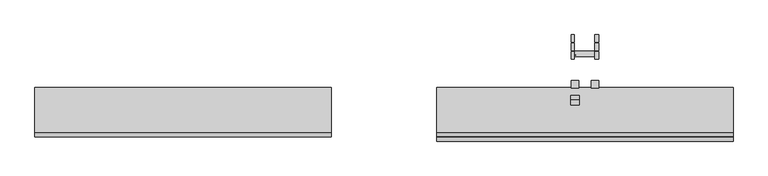
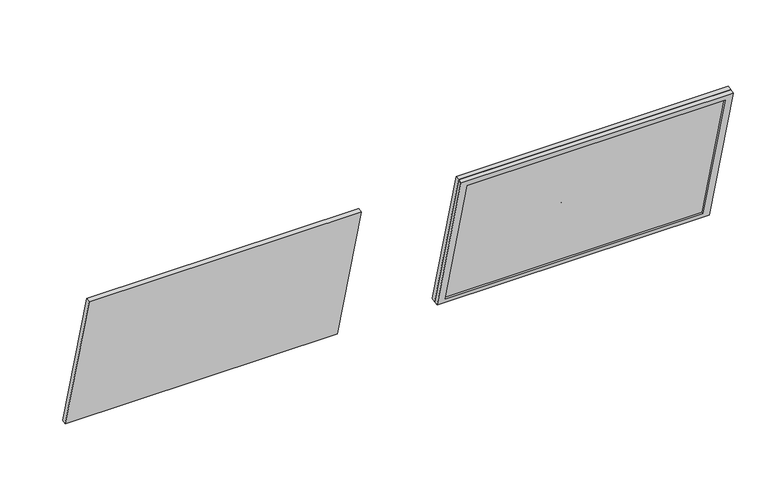
"""IFC4 building model written with IfcOpenShell, lengths in millimetres: proxy geometry."""

from ifc_helpers import new_model, si_unit, frame, origin, place, context, project, spatial, polyline, circle_curve, outline, extrude, faceted_brep, source, transform, mapped, element, save
from ifc_brep_helpers import plane_surface, cylinder_surface, advanced_brep


def specialty_equipment_2edef464(model_context):
    return source(origin(), model_context, "Body", "SolidModel", [
        extrude(outline(polyline([(1006.4454383, 2515.4623011), (1104.8223059, 2148.3162427), (1094.9080284, 2145.6597688), (996.5309506, 2512.8066114), (1006.4454383, 2515.4623011)])), frame((-1219.64913, 0.0, 0.0), z_axis=(1.0, 0.0, 0.0), x_axis=(0.0, 1.0, 0.0)), (0.0, 0.0, 1.0), 648.5001089),
        extrude(outline(polyline([(1006.4611969, 2515.4656458), (1104.8069859, 2148.3112614), (1094.9082474, 2145.6589512), (996.5311697, 2512.8057937), (1006.4611969, 2515.4656458)])), frame((-339.1200057, 0.0, 0.0), z_axis=(1.0, 0.0, 0.0), x_axis=(0.0, 1.0, 0.0)), (0.0, 0.0, 1.0), 648.5001089),
        advanced_brep(
        [(-38.7084796, 1183.4570308, 2243.6951894), (-38.7084796, 1167.4570307, 2243.6951894), (-45.0219556, 1183.4570308, 2243.6951894), (-45.0219556, 1167.4570307, 2243.6951894), (-45.0219556, 1176.3620855, 2246.5556997), (-45.0219556, 1173.565847, 2245.8384946), (-45.0219556, 1172.788846, 2243.0582803), (-45.0219556, 1174.8080847, 2240.9952677), (-45.0219556, 1177.347576, 2241.6466201), (-45.0219556, 1178.2366058, 2244.6405428), (-42.9467709, 1176.3620855, 2246.5556997), (-42.9467709, 1178.2366058, 2244.6405428), (-42.9467709, 1177.347576, 2241.6466201), (-42.9467709, 1174.8080847, 2240.9952677), (-42.9467709, 1172.788846, 2243.0582803), (-42.9467709, 1173.565847, 2245.8384946)],
        [
            (0, 1, circle_curve(frame((-38.7084796, 1175.4570308, 2243.6951894), z_axis=(1.0, 0.0, 0.0), x_axis=(0.0, -1.0, 0.0)), 8.0)),
            (1, 0, circle_curve(frame((-38.7084796, 1175.4570308, 2243.6951894), z_axis=(1.0, 0.0, 0.0), x_axis=(0.0, -1.0, 0.0)), 8.0)),
            (2, 3, circle_curve(frame((-45.0219556, 1175.4570308, 2243.6951894), z_axis=(-1.0, 0.0, 0.0), x_axis=(0.0, -1.0, 0.0)), 8.0)),
            (3, 2, circle_curve(frame((-45.0219556, 1175.4570308, 2243.6951894), z_axis=(-1.0, 0.0, 0.0), x_axis=(0.0, -1.0, 0.0)), 8.0)),
            (4, 5),
            (5, 6),
            (6, 7),
            (7, 8),
            (8, 9),
            (9, 4),
            (0, 2),
            (3, 1),
            (10, 11),
            (11, 12),
            (12, 13),
            (13, 14),
            (14, 15),
            (15, 10),
            (15, 5),
            (4, 10),
            (14, 6),
            (13, 7),
            (12, 8),
            (11, 9),
        ],
        [
            plane_surface(frame((-38.7084796, 1167.4570307, 2243.6951894), z_axis=(1.0, 0.0, 0.0), x_axis=(0.0, 0.0, -1.0))),
            plane_surface(frame((-45.0219556, 1167.4570307, 2243.6951894), z_axis=(-1.0, 0.0, 0.0), x_axis=(0.0, 0.0, 1.0))),
            cylinder_surface(frame((-45.0219556, 1175.4570308, 2243.6951894), z_axis=(1.0, 0.0, 0.0), x_axis=(0.0, -1.0, 0.0)), 8.0),
            plane_surface(frame((-42.9467709, 1176.3620855, 2246.5556997), z_axis=(-1.0, 0.0, 0.0), x_axis=(0.0, -0.9686454569454113, -0.24844713469673074))),
            plane_surface(frame((-42.9467709, 1176.3620855, 2246.5556997), z_axis=(0.0, 0.24844713469673074, -0.9686454569454113), x_axis=(-1.0, 0.0, 0.0))),
            plane_surface(frame((-42.9467709, 1173.565847, 2245.8384946), z_axis=(0.0, 0.9630951403235781, -0.26916119832752156), x_axis=(-1.0, 0.0, 0.0))),
            plane_surface(frame((-42.9467709, 1172.788846, 2243.0582803), z_axis=(0.0, 0.7146480056273415, 0.6994842586169208), x_axis=(-1.0, 0.0, 0.0))),
            plane_surface(frame((-42.9467709, 1174.8080847, 2240.9952677), z_axis=(0.0, -0.2484471903475855, 0.9686454426715643), x_axis=(-1.0, 0.0, 0.0))),
            plane_surface(frame((-42.9467709, 1177.347576, 2241.6466201), z_axis=(0.0, -0.9586286083068241, 0.2846597817320209), x_axis=(-1.0, 0.0, 0.0))),
            plane_surface(frame((-42.9467709, 1178.2366058, 2244.6405428), z_axis=(0.0, -0.7146480056274322, -0.6994842586168281), x_axis=(-1.0, 0.0, 0.0))),
        ],
        [
            (0, [[1, 2]]),
            (1, [[3, 4], [5, 6, 7, 8, 9, 10]]),
            (2, [[-1, 11, -4, 12]]),
            (2, [[-2, -12, -3, -11]]),
            (3, [[13, 14, 15, 16, 17, 18]]),
            (4, [[-18, 19, -5, 20]]),
            (5, [[-17, 21, -6, -19]]),
            (6, [[-16, 22, -7, -21]]),
            (7, [[-15, 23, -8, -22]]),
            (8, [[-14, 24, -9, -23]]),
            (9, [[-13, -20, -10, -24]]),
        ],
    ),
        advanced_brep(
        [(-38.7084796, 1201.9243828, 2243.5781776), (-38.7084796, 1185.9243828, 2243.5781776), (-45.0219556, 1201.9243828, 2243.5781776), (-45.0219556, 1185.9243828, 2243.5781776), (-45.0219556, 1194.7949847, 2246.5556997), (-45.0219556, 1191.9987461, 2245.8384946), (-45.0219556, 1191.2217452, 2243.0582803), (-45.0219556, 1193.2409838, 2240.9952677), (-45.0219556, 1195.9846469, 2241.6989879), (-45.0219556, 1196.8142218, 2244.4926887), (-42.9467709, 1194.7949847, 2246.5556997), (-42.9467709, 1196.8142218, 2244.4926887), (-42.9467709, 1195.9846469, 2241.6989879), (-42.9467709, 1193.2409838, 2240.9952677), (-42.9467709, 1191.2217452, 2243.0582803), (-42.9467709, 1191.9987461, 2245.8384946)],
        [
            (0, 1, circle_curve(frame((-38.7084796, 1193.9243828, 2243.5781776), z_axis=(1.0, 0.0, 0.0), x_axis=(0.0, -1.0, 0.0)), 8.0)),
            (1, 0, circle_curve(frame((-38.7084796, 1193.9243828, 2243.5781776), z_axis=(1.0, 0.0, 0.0), x_axis=(0.0, -1.0, 0.0)), 8.0)),
            (2, 3, circle_curve(frame((-45.0219556, 1193.9243828, 2243.5781776), z_axis=(-1.0, 0.0, 0.0), x_axis=(0.0, -1.0, 0.0)), 8.0)),
            (3, 2, circle_curve(frame((-45.0219556, 1193.9243828, 2243.5781776), z_axis=(-1.0, 0.0, 0.0), x_axis=(0.0, -1.0, 0.0)), 8.0)),
            (4, 5),
            (5, 6),
            (6, 7),
            (7, 8),
            (8, 9),
            (9, 4),
            (0, 2),
            (3, 1),
            (10, 11),
            (11, 12),
            (12, 13),
            (13, 14),
            (14, 15),
            (15, 10),
            (15, 5),
            (4, 10),
            (14, 6),
            (13, 7),
            (12, 8),
            (11, 9),
        ],
        [
            plane_surface(frame((-38.7084796, 1167.4570307, 2243.6951894), z_axis=(1.0, 0.0, 0.0), x_axis=(0.0, 0.0, -1.0))),
            plane_surface(frame((-45.0219556, 1167.4570307, 2243.6951894), z_axis=(-1.0, 0.0, 0.0), x_axis=(0.0, 0.0, 1.0))),
            cylinder_surface(frame((-2109.4692543, 1193.9243828, 2243.5781776), z_axis=(1.0, 0.0, 0.0), x_axis=(0.0, -1.0, 0.0)), 8.0),
            plane_surface(frame((-42.9467709, 1176.3620855, 2246.5556997), z_axis=(-1.0, 0.0, 0.0), x_axis=(0.0, -0.9686454569454113, -0.24844713469673074))),
            plane_surface(frame((-42.9467709, 1194.7949847, 2246.5556997), z_axis=(0.0, 0.24844713469673074, -0.9686454569454113), x_axis=(-1.0, 0.0, 0.0))),
            plane_surface(frame((-42.9467709, 1191.9987461, 2245.8384946), z_axis=(0.0, 0.9630951403235781, -0.26916119832752156), x_axis=(-1.0, 0.0, 0.0))),
            plane_surface(frame((-42.9467709, 1191.2217452, 2243.0582803), z_axis=(0.0, 0.7146480056273415, 0.6994842586169208), x_axis=(-1.0, 0.0, 0.0))),
            plane_surface(frame((-42.9467709, 1193.2409838, 2240.9952677), z_axis=(0.0, -0.24844719034754661, 0.9686454426715743), x_axis=(-1.0, 0.0, 0.0))),
            plane_surface(frame((-42.9467709, 1195.9846469, 2241.6989879), z_axis=(0.0, -0.9586286083068302, 0.28465978173200046), x_axis=(-1.0, 0.0, 0.0))),
            plane_surface(frame((-42.9467709, 1196.8142218, 2244.4926887), z_axis=(0.0, -0.7146480056274367, -0.6994842586168236), x_axis=(-1.0, 0.0, 0.0))),
        ],
        [
            (0, [[1, 2]]),
            (1, [[3, 4], [5, 6, 7, 8, 9, 10]]),
            (2, [[-1, 11, -4, 12]]),
            (2, [[-2, -12, -3, -11]]),
            (3, [[13, 14, 15, 16, 17, 18]]),
            (4, [[-18, 19, -5, 20]]),
            (5, [[-17, 21, -6, -19]]),
            (6, [[-16, 22, -7, -21]]),
            (7, [[-15, 23, -8, -22]]),
            (8, [[-14, 24, -9, -23]]),
            (9, [[-13, -20, -10, -24]]),
        ],
    ),
        advanced_brep(
        [(-38.7084796, 1220.3917369, 2243.5827149), (-38.7084796, 1204.3917369, 2243.5827149), (-45.0219556, 1220.3917369, 2243.5827149), (-45.0219556, 1204.3917369, 2243.5827149), (-45.0219556, 1213.2637707, 2246.5556997), (-45.0219556, 1210.4675321, 2245.8384946), (-45.0219556, 1209.6905312, 2243.0582803), (-45.0219556, 1211.7097698, 2240.9952677), (-45.0219556, 1214.4534329, 2241.6989879), (-45.0219556, 1215.2830078, 2244.4926887), (-42.9467709, 1213.2637707, 2246.5556997), (-42.9467709, 1215.2830078, 2244.4926887), (-42.9467709, 1214.4534329, 2241.6989879), (-42.9467709, 1211.7097698, 2240.9952677), (-42.9467709, 1209.6905312, 2243.0582803), (-42.9467709, 1210.4675321, 2245.8384946)],
        [
            (0, 1, circle_curve(frame((-38.7084796, 1212.3917369, 2243.5827149), z_axis=(1.0, 0.0, 0.0), x_axis=(0.0, -1.0, 0.0)), 8.0)),
            (1, 0, circle_curve(frame((-38.7084796, 1212.3917369, 2243.5827149), z_axis=(1.0, 0.0, 0.0), x_axis=(0.0, -1.0, 0.0)), 8.0)),
            (2, 3, circle_curve(frame((-45.0219556, 1212.3917369, 2243.5827149), z_axis=(-1.0, 0.0, 0.0), x_axis=(0.0, -1.0, 0.0)), 8.0)),
            (3, 2, circle_curve(frame((-45.0219556, 1212.3917369, 2243.5827149), z_axis=(-1.0, 0.0, 0.0), x_axis=(0.0, -1.0, 0.0)), 8.0)),
            (4, 5),
            (5, 6),
            (6, 7),
            (7, 8),
            (8, 9),
            (9, 4),
            (0, 2),
            (3, 1),
            (10, 11),
            (11, 12),
            (12, 13),
            (13, 14),
            (14, 15),
            (15, 10),
            (15, 5),
            (4, 10),
            (14, 6),
            (13, 7),
            (12, 8),
            (11, 9),
        ],
        [
            plane_surface(frame((-38.7084796, 1167.4570307, 2243.6951894), z_axis=(1.0, 0.0, 0.0), x_axis=(0.0, 0.0, -1.0))),
            plane_surface(frame((-45.0219556, 1167.4570307, 2243.6951894), z_axis=(-1.0, 0.0, 0.0), x_axis=(0.0, 0.0, 1.0))),
            cylinder_surface(frame((-2109.4692543, 1212.3917369, 2243.5827149), z_axis=(1.0, 0.0, 0.0), x_axis=(0.0, -1.0, 0.0)), 8.0),
            plane_surface(frame((-42.9467709, 1176.3620855, 2246.5556997), z_axis=(-1.0, 0.0, 0.0), x_axis=(0.0, -0.9686454569454113, -0.24844713469673074))),
            plane_surface(frame((-42.9467709, 1213.2637707, 2246.5556997), z_axis=(0.0, 0.24844713469673074, -0.9686454569454113), x_axis=(-1.0, 0.0, 0.0))),
            plane_surface(frame((-42.9467709, 1210.4675321, 2245.8384946), z_axis=(0.0, 0.9630951403235781, -0.26916119832752156), x_axis=(-1.0, 0.0, 0.0))),
            plane_surface(frame((-42.9467709, 1209.6905312, 2243.0582803), z_axis=(0.0, 0.7146480056273415, 0.6994842586169208), x_axis=(-1.0, 0.0, 0.0))),
            plane_surface(frame((-42.9467709, 1211.7097698, 2240.9952677), z_axis=(0.0, -0.24844719034754661, 0.9686454426715743), x_axis=(-1.0, 0.0, 0.0))),
            plane_surface(frame((-42.9467709, 1214.4534329, 2241.6989879), z_axis=(0.0, -0.9586286083068302, 0.28465978173200046), x_axis=(-1.0, 0.0, 0.0))),
            plane_surface(frame((-42.9467709, 1215.2830078, 2244.4926887), z_axis=(0.0, -0.7146480056274367, -0.6994842586168236), x_axis=(-1.0, 0.0, 0.0))),
        ],
        [
            (0, [[1, 2]]),
            (1, [[3, 4], [5, 6, 7, 8, 9, 10]]),
            (2, [[-1, 11, -4, 12]]),
            (2, [[-2, -12, -3, -11]]),
            (3, [[13, 14, 15, 16, 17, 18]]),
            (4, [[-18, 19, -5, 20]]),
            (5, [[-17, 21, -6, -19]]),
            (6, [[-16, 22, -7, -21]]),
            (7, [[-15, 23, -8, -22]]),
            (8, [[-14, 24, -9, -23]]),
            (9, [[-13, -20, -10, -24]]),
        ],
    ),
        faceted_brep([(309.3801032, 996.5467092, 2512.8099561), (309.3801032, 986.8716948, 2510.2184117), (309.3801032, 1085.2487726, 2143.0715691), (309.3801032, 1094.8925036, 2145.6555516), (-339.1200057, 996.5467092, 2512.8099561), (-339.1200057, 1094.8925036, 2145.6555516), (-339.1200057, 1085.2487726, 2143.0715691), (-339.1200057, 986.8716948, 2510.2184117), (292.4595698, 990.702029, 2495.9234648), (292.4595698, 1082.0866341, 2154.8727854), (-322.0637783, 1082.0866341, 2154.8727854), (-322.0637783, 990.702029, 2495.9234648), (292.4595698, 994.4867982, 2496.937597), (292.4595698, 1085.8716095, 2155.8869729), (-322.0637783, 1085.8716095, 2155.8869729), (-322.0637783, 994.4867982, 2496.937597)], [[[0, 1, 2, 3]], [[4, 5, 6, 7]], [[2, 1, 7, 6], [8, 9, 10, 11]], [[1, 0, 4, 7]], [[3, 2, 6, 5]], [[12, 13, 9, 8]], [[14, 15, 11, 10]], [[13, 12, 15, 14]], [[15, 12, 8, 11]], [[13, 14, 10, 9]], [[0, 3, 5, 4]]]),
        advanced_brep(
        [(-28.6187263, 1120.0049574, 2285.6600288), (-28.6187263, 1104.0049574, 2285.6600288), (-28.6187263, 1109.2087193, 2284.9428256), (-28.6187263, 1109.9857202, 2287.7230399), (-28.6187263, 1112.7819588, 2288.440245), (-28.6187263, 1114.8011959, 2286.3772339), (-28.6187263, 1113.971621, 2283.5835332), (-28.6187263, 1111.227958, 2282.879813), (-45.0219556, 1120.0049574, 2285.6600288), (-45.0219556, 1104.0049574, 2285.6600288), (-45.0219556, 1109.9857202, 2287.7230399), (-45.0219556, 1109.2087193, 2284.9428256), (-45.0219556, 1111.227958, 2282.879813), (-45.0219556, 1113.971621, 2283.5835332), (-45.0219556, 1114.8011959, 2286.3772339), (-45.0219556, 1112.7819588, 2288.440245), (-42.9467709, 1109.9857202, 2287.7230399), (-42.9467709, 1112.7819588, 2288.440245), (-42.9467709, 1114.8011959, 2286.3772339), (-42.9467709, 1113.971621, 2283.5835332), (-42.9467709, 1111.227958, 2282.879813), (-42.9467709, 1109.2087193, 2284.9428256), (-30.7674323, 1109.9857202, 2287.7230399), (-30.7674323, 1109.2087193, 2284.9428256), (-30.7674323, 1111.227958, 2282.879813), (-30.7674323, 1113.971621, 2283.5835332), (-30.7674323, 1114.8011959, 2286.3772339), (-30.7674323, 1112.7819588, 2288.440245)],
        [
            (0, 1, circle_curve(frame((-28.6187263, 1112.0049574, 2285.6600288), z_axis=(1.0, 0.0, 0.0), x_axis=(0.0, -1.0, 0.0)), 8.0)),
            (1, 0, circle_curve(frame((-28.6187263, 1112.0049574, 2285.6600288), z_axis=(1.0, 0.0, 0.0), x_axis=(0.0, -1.0, 0.0)), 8.0)),
            (2, 3),
            (3, 4),
            (4, 5),
            (5, 6),
            (6, 7),
            (7, 2),
            (8, 9, circle_curve(frame((-45.0219556, 1112.0049574, 2285.6600288), z_axis=(-1.0, 0.0, 0.0), x_axis=(0.0, -1.0, 0.0)), 8.0)),
            (9, 8, circle_curve(frame((-45.0219556, 1112.0049574, 2285.6600288), z_axis=(-1.0, 0.0, 0.0), x_axis=(0.0, -1.0, 0.0)), 8.0)),
            (10, 11),
            (11, 12),
            (12, 13),
            (13, 14),
            (14, 15),
            (15, 10),
            (0, 8),
            (9, 1),
            (16, 17),
            (17, 18),
            (18, 19),
            (19, 20),
            (20, 21),
            (21, 16),
            (21, 11),
            (10, 16),
            (20, 12),
            (19, 13),
            (18, 14),
            (17, 15),
            (22, 23),
            (23, 24),
            (24, 25),
            (25, 26),
            (26, 27),
            (27, 22),
            (22, 3),
            (2, 23),
            (7, 24),
            (6, 25),
            (5, 26),
            (4, 27),
        ],
        [
            plane_surface(frame((-28.6187263, 1104.0049574, 2285.6600288), z_axis=(1.0, 0.0, 0.0), x_axis=(0.0, 0.0, -1.0))),
            plane_surface(frame((-45.0219556, 1104.0049574, 2285.6600288), z_axis=(-1.0, 0.0, 0.0), x_axis=(0.0, 0.0, 1.0))),
            cylinder_surface(frame((-45.0219556, 1112.0049574, 2285.6600288), z_axis=(1.0, 0.0, 0.0), x_axis=(0.0, -1.0, 0.0)), 8.0),
            plane_surface(frame((-42.9467709, 1109.9857202, 2287.7230399), z_axis=(-1.0, 0.0, 0.0), x_axis=(0.0, -0.26916119832752156, -0.9630951403235781))),
            plane_surface(frame((-42.9467709, 1109.9857202, 2287.7230399), z_axis=(0.0, 0.9630951403235781, -0.26916119832752156), x_axis=(-1.0, 0.0, 0.0))),
            plane_surface(frame((-42.9467709, 1109.2087193, 2284.9428256), z_axis=(0.0, 0.7146480056273415, 0.6994842586169208), x_axis=(-1.0, 0.0, 0.0))),
            plane_surface(frame((-42.9467709, 1111.227958, 2282.879813), z_axis=(0.0, -0.24844719034754661, 0.9686454426715743), x_axis=(-1.0, 0.0, 0.0))),
            plane_surface(frame((-42.9467709, 1113.971621, 2283.5835332), z_axis=(0.0, -0.9586286083068302, 0.28465978173200046), x_axis=(-1.0, 0.0, 0.0))),
            plane_surface(frame((-42.9467709, 1114.8011959, 2286.3772339), z_axis=(0.0, -0.7146480056274367, -0.6994842586168236), x_axis=(-1.0, 0.0, 0.0))),
            plane_surface(frame((-42.9467709, 1112.7819588, 2288.440245), z_axis=(0.0, 0.24844713469673074, -0.9686454569454113), x_axis=(-1.0, 0.0, 0.0))),
            plane_surface(frame((-30.7674323, 1109.9857202, 2287.7230399), z_axis=(1.0, 0.0, 0.0), x_axis=(0.0, 0.26916119832752156, 0.9630951403235781))),
            plane_surface(frame((-21.2848202, 1109.9857202, 2287.7230399), z_axis=(0.0, 0.9630951403235781, -0.26916119832752156), x_axis=(-1.0, 0.0, 0.0))),
            plane_surface(frame((-21.2848202, 1109.2087193, 2284.9428256), z_axis=(0.0, 0.7146480056273415, 0.6994842586169208), x_axis=(-1.0, 0.0, 0.0))),
            plane_surface(frame((-21.2848202, 1111.227958, 2282.879813), z_axis=(0.0, -0.24844719034754661, 0.9686454426715743), x_axis=(-1.0, 0.0, 0.0))),
            plane_surface(frame((-21.2848202, 1113.971621, 2283.5835332), z_axis=(0.0, -0.9586286083068302, 0.28465978173200046), x_axis=(-1.0, 0.0, 0.0))),
            plane_surface(frame((-21.2848202, 1114.8011959, 2286.3772339), z_axis=(0.0, -0.7146480056274367, -0.6994842586168236), x_axis=(-1.0, 0.0, 0.0))),
            plane_surface(frame((-21.2848202, 1112.7819588, 2288.440245), z_axis=(0.0, 0.24844713469673074, -0.9686454569454113), x_axis=(-1.0, 0.0, 0.0))),
        ],
        [
            (0, [[1, 2], [3, 4, 5, 6, 7, 8]]),
            (1, [[9, 10], [11, 12, 13, 14, 15, 16]]),
            (2, [[-1, 17, -10, 18]]),
            (2, [[-2, -18, -9, -17]]),
            (3, [[19, 20, 21, 22, 23, 24]]),
            (4, [[-24, 25, -11, 26]]),
            (5, [[-23, 27, -12, -25]]),
            (6, [[-22, 28, -13, -27]]),
            (7, [[-21, 29, -14, -28]]),
            (8, [[-20, 30, -15, -29]]),
            (9, [[-19, -26, -16, -30]]),
            (10, [[31, 32, 33, 34, 35, 36]]),
            (11, [[-31, 37, -3, 38]]),
            (12, [[-32, -38, -8, 39]]),
            (13, [[-33, -39, -7, 40]]),
            (14, [[-34, -40, -6, 41]]),
            (15, [[-35, -41, -5, 42]]),
            (16, [[-36, -42, -4, -37]]),
        ],
    ),
        advanced_brep(
        [(15.3682408, 1120.0049574, 2285.6600288), (15.3682408, 1104.0049574, 2285.6600288), (15.3682408, 1109.2087193, 2284.9428256), (15.3682408, 1109.9857202, 2287.7230399), (15.3682408, 1112.7819588, 2288.440245), (15.3682408, 1114.8011959, 2286.3772339), (15.3682408, 1113.971621, 2283.5835332), (15.3682408, 1111.227958, 2282.879813), (-1.0349885, 1120.0049574, 2285.6600288), (-1.0349885, 1104.0049574, 2285.6600288), (-1.0349885, 1109.9857202, 2287.7230399), (-1.0349885, 1109.2087193, 2284.9428256), (-1.0349885, 1111.227958, 2282.879813), (-1.0349885, 1113.971621, 2283.5835332), (-1.0349885, 1114.8011959, 2286.3772339), (-1.0349885, 1112.7819588, 2288.440245), (13.2195347, 1109.9857202, 2287.7230399), (13.2195347, 1109.2087193, 2284.9428256), (13.2195347, 1111.227958, 2282.879813), (13.2195347, 1113.971621, 2283.5835332), (13.2195347, 1114.8011959, 2286.3772339), (13.2195347, 1112.7819588, 2288.440245), (1.0401961, 1109.9857202, 2287.7230399), (1.0401961, 1112.7819588, 2288.440245), (1.0401961, 1114.8011959, 2286.3772339), (1.0401961, 1113.971621, 2283.5835332), (1.0401961, 1111.227958, 2282.879813), (1.0401961, 1109.2087193, 2284.9428256)],
        [
            (0, 1, circle_curve(frame((15.3682408, 1112.0049574, 2285.6600288), z_axis=(1.0, 0.0, 0.0), x_axis=(0.0, -1.0, 0.0)), 8.0)),
            (1, 0, circle_curve(frame((15.3682408, 1112.0049574, 2285.6600288), z_axis=(1.0, 0.0, 0.0), x_axis=(0.0, -1.0, 0.0)), 8.0)),
            (2, 3),
            (3, 4),
            (4, 5),
            (5, 6),
            (6, 7),
            (7, 2),
            (8, 9, circle_curve(frame((-1.0349885, 1112.0049574, 2285.6600288), z_axis=(-1.0, 0.0, 0.0), x_axis=(0.0, -1.0, 0.0)), 8.0)),
            (9, 8, circle_curve(frame((-1.0349885, 1112.0049574, 2285.6600288), z_axis=(-1.0, 0.0, 0.0), x_axis=(0.0, -1.0, 0.0)), 8.0)),
            (10, 11),
            (11, 12),
            (12, 13),
            (13, 14),
            (14, 15),
            (15, 10),
            (0, 8),
            (9, 1),
            (16, 17),
            (17, 18),
            (18, 19),
            (19, 20),
            (20, 21),
            (21, 16),
            (16, 3),
            (2, 17),
            (7, 18),
            (6, 19),
            (5, 20),
            (4, 21),
            (22, 23),
            (23, 24),
            (24, 25),
            (25, 26),
            (26, 27),
            (27, 22),
            (27, 11),
            (10, 22),
            (26, 12),
            (25, 13),
            (24, 14),
            (23, 15),
        ],
        [
            plane_surface(frame((15.3682408, 1104.0049574, 2285.6600288), z_axis=(1.0, 0.0, 0.0), x_axis=(0.0, 0.0, -1.0))),
            plane_surface(frame((-1.0349885, 1104.0049574, 2285.6600288), z_axis=(-1.0, 0.0, 0.0), x_axis=(0.0, 0.0, 1.0))),
            cylinder_surface(frame((-1.0349885, 1112.0049574, 2285.6600288), z_axis=(1.0, 0.0, 0.0), x_axis=(0.0, -1.0, 0.0)), 8.0),
            plane_surface(frame((13.2195347, 1109.9857202, 2287.7230399), z_axis=(1.0, 0.0, 0.0), x_axis=(0.0, 0.26916119832752156, 0.9630951403235781))),
            plane_surface(frame((22.2701617, 1109.9857202, 2287.7230399), z_axis=(0.0, 0.9630951403235781, -0.26916119832752156), x_axis=(-1.0, 0.0, 0.0))),
            plane_surface(frame((22.2701617, 1109.2087193, 2284.9428256), z_axis=(0.0, 0.7146480056273415, 0.6994842586169208), x_axis=(-1.0, 0.0, 0.0))),
            plane_surface(frame((22.2701617, 1111.227958, 2282.879813), z_axis=(0.0, -0.24844719034754661, 0.9686454426715743), x_axis=(-1.0, 0.0, 0.0))),
            plane_surface(frame((22.2701617, 1113.971621, 2283.5835332), z_axis=(0.0, -0.9586286083068302, 0.28465978173200046), x_axis=(-1.0, 0.0, 0.0))),
            plane_surface(frame((22.2701617, 1114.8011959, 2286.3772339), z_axis=(0.0, -0.7146480056274367, -0.6994842586168236), x_axis=(-1.0, 0.0, 0.0))),
            plane_surface(frame((22.2701617, 1112.7819588, 2288.440245), z_axis=(0.0, 0.24844713469673074, -0.9686454569454113), x_axis=(-1.0, 0.0, 0.0))),
            plane_surface(frame((1.0401961, 1109.9857202, 2287.7230399), z_axis=(-1.0, 0.0, 0.0), x_axis=(0.0, -0.26916119832752156, -0.9630951403235781))),
            plane_surface(frame((1.0401961, 1109.9857202, 2287.7230399), z_axis=(0.0, 0.9630951403235781, -0.26916119832752156), x_axis=(-1.0, 0.0, 0.0))),
            plane_surface(frame((1.0401961, 1109.2087193, 2284.9428256), z_axis=(0.0, 0.7146480056273415, 0.6994842586169208), x_axis=(-1.0, 0.0, 0.0))),
            plane_surface(frame((1.0401961, 1111.227958, 2282.879813), z_axis=(0.0, -0.24844719034754661, 0.9686454426715743), x_axis=(-1.0, 0.0, 0.0))),
            plane_surface(frame((1.0401961, 1113.971621, 2283.5835332), z_axis=(0.0, -0.9586286083068302, 0.28465978173200046), x_axis=(-1.0, 0.0, 0.0))),
            plane_surface(frame((1.0401961, 1114.8011959, 2286.3772339), z_axis=(0.0, -0.7146480056274367, -0.6994842586168236), x_axis=(-1.0, 0.0, 0.0))),
            plane_surface(frame((1.0401961, 1112.7819588, 2288.440245), z_axis=(0.0, 0.24844713469673074, -0.9686454569454113), x_axis=(-1.0, 0.0, 0.0))),
        ],
        [
            (0, [[1, 2], [3, 4, 5, 6, 7, 8]]),
            (1, [[9, 10], [11, 12, 13, 14, 15, 16]]),
            (2, [[-1, 17, -10, 18]]),
            (2, [[-2, -18, -9, -17]]),
            (3, [[19, 20, 21, 22, 23, 24]]),
            (4, [[-19, 25, -3, 26]]),
            (5, [[-20, -26, -8, 27]]),
            (6, [[-21, -27, -7, 28]]),
            (7, [[-22, -28, -6, 29]]),
            (8, [[-23, -29, -5, 30]]),
            (9, [[-24, -30, -4, -25]]),
            (10, [[31, 32, 33, 34, 35, 36]]),
            (11, [[-36, 37, -11, 38]]),
            (12, [[-35, 39, -12, -37]]),
            (13, [[-34, 40, -13, -39]]),
            (14, [[-33, 41, -14, -40]]),
            (15, [[-32, 42, -15, -41]]),
            (16, [[-31, -38, -16, -42]]),
        ],
    ),
        advanced_brep(
        [(8.0814716, 1184.7754533, 2203.5757744), (8.0814716, 1173.086142, 2203.5757744), (8.0814716, 1178.7841062, 2206.4587963), (8.0814716, 1181.3549989, 2205.1290436), (8.0814716, 1181.5009116, 2202.2613008), (8.0814716, 1179.0774865, 2200.6927525), (8.0814716, 1176.5073726, 2202.007226), (8.0814716, 1176.3606827, 2204.8902437), (-37.5993607, 1184.7754533, 2203.5757744), (-37.5993607, 1173.086142, 2203.5757744), (-37.5993607, 1181.3549989, 2205.1290436), (-37.5993607, 1178.7841062, 2206.4587963), (-37.5993607, 1176.3606827, 2204.8902437), (-37.5993607, 1176.5073726, 2202.007226), (-37.5993607, 1179.0774865, 2200.6927525), (-37.5993607, 1181.5009116, 2202.2613008), (6.3568341, 1181.3549989, 2205.1290436), (6.3568341, 1178.7841062, 2206.4587963), (6.3568341, 1176.3606827, 2204.8902437), (6.3568341, 1176.5073726, 2202.007226), (6.3568341, 1179.0774865, 2200.6927525), (6.3568341, 1181.5009116, 2202.2613008), (-35.6898023, 1181.3549989, 2205.1290436), (-35.6898023, 1181.5009116, 2202.2613008), (-35.6898023, 1179.0774865, 2200.6927525), (-35.6898023, 1176.5073726, 2202.007226), (-35.6898023, 1176.3606827, 2204.8902437), (-35.6898023, 1178.7841062, 2206.4587963)],
        [
            (0, 1, circle_curve(frame((8.0814716, 1178.9307976, 2203.5757744), z_axis=(1.0, 0.0, 0.0), x_axis=(0.0, -1.0, 0.0)), 5.8446557)),
            (1, 0, circle_curve(frame((8.0814716, 1178.9307976, 2203.5757744), z_axis=(1.0, 0.0, 0.0), x_axis=(0.0, -1.0, 0.0)), 5.8446557)),
            (2, 3),
            (3, 4),
            (4, 5),
            (5, 6),
            (6, 7),
            (7, 2),
            (8, 9, circle_curve(frame((-37.5993607, 1178.9307976, 2203.5757744), z_axis=(-1.0, 0.0, 0.0), x_axis=(0.0, -1.0, 0.0)), 5.8446557)),
            (9, 8, circle_curve(frame((-37.5993607, 1178.9307976, 2203.5757744), z_axis=(-1.0, 0.0, 0.0), x_axis=(0.0, -1.0, 0.0)), 5.8446557)),
            (10, 11),
            (11, 12),
            (12, 13),
            (13, 14),
            (14, 15),
            (15, 10),
            (0, 8),
            (9, 1),
            (16, 17),
            (17, 18),
            (18, 19),
            (19, 20),
            (20, 21),
            (21, 16),
            (16, 3),
            (2, 17),
            (7, 18),
            (6, 19),
            (5, 20),
            (4, 21),
            (22, 23),
            (23, 24),
            (24, 25),
            (25, 26),
            (26, 27),
            (27, 22),
            (27, 11),
            (10, 22),
            (26, 12),
            (25, 13),
            (24, 14),
            (23, 15),
        ],
        [
            plane_surface(frame((8.0814716, 1173.086142, 2203.5757744), z_axis=(1.0, 0.0, 0.0), x_axis=(0.0, 0.0, -1.0))),
            plane_surface(frame((-37.5993607, 1173.086142, 2203.5757744), z_axis=(-1.0, 0.0, 0.0), x_axis=(0.0, 0.0, 1.0))),
            cylinder_surface(frame((-37.5993607, 1178.9307976, 2203.5757744), z_axis=(1.0, 0.0, 0.0), x_axis=(0.0, -1.0, 0.0)), 5.8446557),
            plane_surface(frame((6.3568341, 1178.7841062, 2206.4587963), z_axis=(1.0, 0.0, 0.0), x_axis=(0.0, 0.8882203841479396, -0.45941761958384514))),
            plane_surface(frame((22.9360964, 1181.3549989, 2205.1290436), z_axis=(0.0, -0.45941761958384514, -0.8882203841479396), x_axis=(-1.0, 0.0, 0.0))),
            plane_surface(frame((22.9360964, 1178.7841062, 2206.4587963), z_axis=(0.0, 0.5433623784018712, -0.8394982583290224), x_axis=(-1.0, 0.0, 0.0))),
            plane_surface(frame((22.9360964, 1176.3606827, 2204.8902437), z_axis=(0.0, 0.9987080851227993, 0.050814965417203255), x_axis=(-1.0, 0.0, 0.0))),
            plane_surface(frame((22.9360964, 1176.5073726, 2202.007226), z_axis=(0.0, 0.45534719132492035, 0.8903139532504848), x_axis=(-1.0, 0.0, 0.0))),
            plane_surface(frame((22.9360964, 1179.0774865, 2200.6927525), z_axis=(0.0, -0.5433610954812863, 0.8394990886935951), x_axis=(-1.0, 0.0, 0.0))),
            plane_surface(frame((22.9360964, 1181.5009116, 2202.2613008), z_axis=(0.0, -0.9987080850898942, -0.05081496606391388), x_axis=(-1.0, 0.0, 0.0))),
            plane_surface(frame((-35.6898023, 1178.7841062, 2206.4587963), z_axis=(-1.0, 0.0, 0.0), x_axis=(0.0, -0.8882203841479396, 0.45941761958384514))),
            plane_surface(frame((-35.6898023, 1181.3549989, 2205.1290436), z_axis=(0.0, -0.45941761958384514, -0.8882203841479396), x_axis=(-1.0, 0.0, 0.0))),
            plane_surface(frame((-35.6898023, 1178.7841062, 2206.4587963), z_axis=(0.0, 0.5433623784018712, -0.8394982583290224), x_axis=(-1.0, 0.0, 0.0))),
            plane_surface(frame((-35.6898023, 1176.3606827, 2204.8902437), z_axis=(0.0, 0.9987080851227993, 0.050814965417203255), x_axis=(-1.0, 0.0, 0.0))),
            plane_surface(frame((-35.6898023, 1176.5073726, 2202.007226), z_axis=(0.0, 0.45534719132492035, 0.8903139532504848), x_axis=(-1.0, 0.0, 0.0))),
            plane_surface(frame((-35.6898023, 1179.0774865, 2200.6927525), z_axis=(0.0, -0.5433610954812863, 0.8394990886935951), x_axis=(-1.0, 0.0, 0.0))),
            plane_surface(frame((-35.6898023, 1181.5009116, 2202.2613008), z_axis=(0.0, -0.9987080850898942, -0.05081496606391388), x_axis=(-1.0, 0.0, 0.0))),
        ],
        [
            (0, [[1, 2], [3, 4, 5, 6, 7, 8]]),
            (1, [[9, 10], [11, 12, 13, 14, 15, 16]]),
            (2, [[-1, 17, -10, 18]]),
            (2, [[-2, -18, -9, -17]]),
            (3, [[19, 20, 21, 22, 23, 24]]),
            (4, [[-19, 25, -3, 26]]),
            (5, [[-20, -26, -8, 27]]),
            (6, [[-21, -27, -7, 28]]),
            (7, [[-22, -28, -6, 29]]),
            (8, [[-23, -29, -5, 30]]),
            (9, [[-24, -30, -4, -25]]),
            (10, [[31, 32, 33, 34, 35, 36]]),
            (11, [[-36, 37, -11, 38]]),
            (12, [[-35, 39, -12, -37]]),
            (13, [[-34, 40, -13, -39]]),
            (14, [[-33, 41, -14, -40]]),
            (15, [[-32, 42, -15, -41]]),
            (16, [[-31, -38, -16, -42]]),
        ],
    ),
        advanced_brep(
        [(-27.1339716, 1077.7573289, 2368.7338538), (-27.1339716, 1066.0680176, 2368.7338538), (-27.1339716, 1069.0490953, 2368.368803), (-27.1339716, 1070.1647402, 2371.0312585), (-27.1339716, 1073.0283159, 2371.3963092), (-27.1339716, 1074.7762486, 2369.0989046), (-27.1339716, 1073.6606034, 2366.4364491), (-27.1339716, 1070.7970267, 2366.0713983), (-46.6746302, 1077.7573289, 2368.7338538), (-46.6746302, 1066.0680176, 2368.7338538), (-46.6746302, 1070.1647402, 2371.0312585), (-46.6746302, 1069.0490953, 2368.368803), (-46.6746302, 1070.7970267, 2366.0713983), (-46.6746302, 1073.6606034, 2366.4364491), (-46.6746302, 1074.7762486, 2369.0989046), (-46.6746302, 1073.0283159, 2371.3963092), (-28.6187263, 1070.1647402, 2371.0312585), (-28.6187263, 1069.0490953, 2368.368803), (-28.6187263, 1070.7970267, 2366.0713983), (-28.6187263, 1073.6606034, 2366.4364491), (-28.6187263, 1074.7762486, 2369.0989046), (-28.6187263, 1073.0283159, 2371.3963092), (-45.0219556, 1070.1647402, 2371.0312585), (-45.0219556, 1073.0283159, 2371.3963092), (-45.0219556, 1074.7762486, 2369.0989046), (-45.0219556, 1073.6606034, 2366.4364491), (-45.0219556, 1070.7970267, 2366.0713983), (-45.0219556, 1069.0490953, 2368.368803)],
        [
            (0, 1, circle_curve(frame((-27.1339716, 1071.9126733, 2368.7338538), z_axis=(1.0, 0.0, 0.0), x_axis=(0.0, -1.0, 0.0)), 5.8446557)),
            (1, 0, circle_curve(frame((-27.1339716, 1071.9126733, 2368.7338538), z_axis=(1.0, 0.0, 0.0), x_axis=(0.0, -1.0, 0.0)), 5.8446557)),
            (2, 3),
            (3, 4),
            (4, 5),
            (5, 6),
            (6, 7),
            (7, 2),
            (8, 9, circle_curve(frame((-46.6746302, 1071.9126733, 2368.7338538), z_axis=(-1.0, 0.0, 0.0), x_axis=(0.0, -1.0, 0.0)), 5.8446557)),
            (9, 8, circle_curve(frame((-46.6746302, 1071.9126733, 2368.7338538), z_axis=(-1.0, 0.0, 0.0), x_axis=(0.0, -1.0, 0.0)), 5.8446557)),
            (10, 11),
            (11, 12),
            (12, 13),
            (13, 14),
            (14, 15),
            (15, 10),
            (0, 8),
            (9, 1),
            (16, 17),
            (17, 18),
            (18, 19),
            (19, 20),
            (20, 21),
            (21, 16),
            (16, 3),
            (2, 17),
            (7, 18),
            (6, 19),
            (5, 20),
            (4, 21),
            (22, 23),
            (23, 24),
            (24, 25),
            (25, 26),
            (26, 27),
            (27, 22),
            (27, 11),
            (10, 22),
            (26, 12),
            (25, 13),
            (24, 14),
            (23, 15),
        ],
        [
            plane_surface(frame((-27.1339716, 1066.0680176, 2368.7338538), z_axis=(1.0, 0.0, 0.0), x_axis=(0.0, 0.0, -1.0))),
            plane_surface(frame((-46.6746302, 1066.0680176, 2368.7338538), z_axis=(-1.0, 0.0, 0.0), x_axis=(0.0, 0.0, 1.0))),
            cylinder_surface(frame((-46.6746302, 1071.9126733, 2368.7338538), z_axis=(1.0, 0.0, 0.0), x_axis=(0.0, -1.0, 0.0)), 5.8446557),
            plane_surface(frame((-28.6187263, 1070.1647402, 2371.0312585), z_axis=(1.0, 0.0, 0.0), x_axis=(0.0, 0.38647073058381537, 0.9223016721236127))),
            plane_surface(frame((-21.2130769, 1070.1647402, 2371.0312585), z_axis=(0.0, 0.9223016721236127, -0.38647073058381537), x_axis=(-1.0, 0.0, 0.0))),
            plane_surface(frame((-21.2130769, 1069.0490953, 2368.368803), z_axis=(0.0, 0.7958443731968338, 0.6055012251440445), x_axis=(-1.0, 0.0, 0.0))),
            plane_surface(frame((-21.2130769, 1070.7970267, 2366.0713983), z_axis=(0.0, -0.12645730660184673, 0.9919720508194808), x_axis=(-1.0, 0.0, 0.0))),
            plane_surface(frame((-21.2130769, 1073.6606034, 2366.4364491), z_axis=(0.0, -0.9223016266744618, 0.3864708390469345), x_axis=(-1.0, 0.0, 0.0))),
            plane_surface(frame((-21.2130769, 1074.7762486, 2369.0989046), z_axis=(0.0, -0.7958441452566694, -0.6055015247385274), x_axis=(-1.0, 0.0, 0.0))),
            plane_surface(frame((-21.2130769, 1073.0283159, 2371.3963092), z_axis=(0.0, 0.12645730660137405, -0.9919720508195411), x_axis=(-1.0, 0.0, 0.0))),
            plane_surface(frame((-45.0219556, 1070.1647402, 2371.0312585), z_axis=(-1.0, 0.0, 0.0), x_axis=(0.0, -0.38647073058381537, -0.9223016721236127))),
            plane_surface(frame((-45.0219556, 1070.1647402, 2371.0312585), z_axis=(0.0, 0.9223016721236127, -0.38647073058381537), x_axis=(-1.0, 0.0, 0.0))),
            plane_surface(frame((-45.0219556, 1069.0490953, 2368.368803), z_axis=(0.0, 0.7958443731968338, 0.6055012251440445), x_axis=(-1.0, 0.0, 0.0))),
            plane_surface(frame((-45.0219556, 1070.7970267, 2366.0713983), z_axis=(0.0, -0.12645730660184673, 0.9919720508194808), x_axis=(-1.0, 0.0, 0.0))),
            plane_surface(frame((-45.0219556, 1073.6606034, 2366.4364491), z_axis=(0.0, -0.9223016266744618, 0.3864708390469345), x_axis=(-1.0, 0.0, 0.0))),
            plane_surface(frame((-45.0219556, 1074.7762486, 2369.0989046), z_axis=(0.0, -0.7958441452566694, -0.6055015247385274), x_axis=(-1.0, 0.0, 0.0))),
            plane_surface(frame((-45.0219556, 1073.0283159, 2371.3963092), z_axis=(0.0, 0.12645730660137405, -0.9919720508195411), x_axis=(-1.0, 0.0, 0.0))),
        ],
        [
            (0, [[1, 2], [3, 4, 5, 6, 7, 8]]),
            (1, [[9, 10], [11, 12, 13, 14, 15, 16]]),
            (2, [[-1, 17, -10, 18]]),
            (2, [[-2, -18, -9, -17]]),
            (3, [[19, 20, 21, 22, 23, 24]]),
            (4, [[-19, 25, -3, 26]]),
            (5, [[-20, -26, -8, 27]]),
            (6, [[-21, -27, -7, 28]]),
            (7, [[-22, -28, -6, 29]]),
            (8, [[-23, -29, -5, 30]]),
            (9, [[-24, -30, -4, -25]]),
            (10, [[31, 32, 33, 34, 35, 36]]),
            (11, [[-36, 37, -11, 38]]),
            (12, [[-35, 39, -12, -37]]),
            (13, [[-34, 40, -13, -39]]),
            (14, [[-33, 41, -14, -40]]),
            (15, [[-32, 42, -15, -41]]),
            (16, [[-31, -38, -16, -42]]),
        ],
    ),
        advanced_brep(
        [(-27.1339716, 1086.7730153, 2329.6230505), (-27.1339716, 1075.0837039, 2329.6230505), (-27.1339716, 1079.1544957, 2331.900492), (-27.1339716, 1082.0137485, 2332.2979825), (-27.1339716, 1083.7876125, 2330.020541), (-27.1339716, 1082.7022223, 2327.345609), (-27.1339716, 1079.8429681, 2326.9481184), (-27.1339716, 1078.0691055, 2329.2255599), (-46.6746302, 1086.7730153, 2329.6230505), (-46.6746302, 1075.0837039, 2329.6230505), (-46.6746302, 1082.0137485, 2332.2979825), (-46.6746302, 1079.1544957, 2331.900492), (-46.6746302, 1078.0691055, 2329.2255599), (-46.6746302, 1079.8429681, 2326.9481184), (-46.6746302, 1082.7022223, 2327.345609), (-46.6746302, 1083.7876125, 2330.020541), (-28.6187263, 1082.0137485, 2332.2979825), (-28.6187263, 1079.1544957, 2331.900492), (-28.6187263, 1078.0691055, 2329.2255599), (-28.6187263, 1079.8429681, 2326.9481184), (-28.6187263, 1082.7022223, 2327.345609), (-28.6187263, 1083.7876125, 2330.020541), (-45.0219556, 1082.0137485, 2332.2979825), (-45.0219556, 1083.7876125, 2330.020541), (-45.0219556, 1082.7022223, 2327.345609), (-45.0219556, 1079.8429681, 2326.9481184), (-45.0219556, 1078.0691055, 2329.2255599), (-45.0219556, 1079.1544957, 2331.900492)],
        [
            (0, 1, circle_curve(frame((-27.1339716, 1080.9283596, 2329.6230505), z_axis=(1.0, 0.0, 0.0), x_axis=(0.0, -1.0, 0.0)), 5.8446557)),
            (1, 0, circle_curve(frame((-27.1339716, 1080.9283596, 2329.6230505), z_axis=(1.0, 0.0, 0.0), x_axis=(0.0, -1.0, 0.0)), 5.8446557)),
            (2, 3),
            (3, 4),
            (4, 5),
            (5, 6),
            (6, 7),
            (7, 2),
            (8, 9, circle_curve(frame((-46.6746302, 1080.9283596, 2329.6230505), z_axis=(-1.0, 0.0, 0.0), x_axis=(0.0, -1.0, 0.0)), 5.8446557)),
            (9, 8, circle_curve(frame((-46.6746302, 1080.9283596, 2329.6230505), z_axis=(-1.0, 0.0, 0.0), x_axis=(0.0, -1.0, 0.0)), 5.8446557)),
            (10, 11),
            (11, 12),
            (12, 13),
            (13, 14),
            (14, 15),
            (15, 10),
            (0, 8),
            (9, 1),
            (16, 17),
            (17, 18),
            (18, 19),
            (19, 20),
            (20, 21),
            (21, 16),
            (16, 3),
            (2, 17),
            (7, 18),
            (6, 19),
            (5, 20),
            (4, 21),
            (22, 23),
            (23, 24),
            (24, 25),
            (25, 26),
            (26, 27),
            (27, 22),
            (27, 11),
            (10, 22),
            (26, 12),
            (25, 13),
            (24, 14),
            (23, 15),
        ],
        [
            plane_surface(frame((-27.1339716, 1066.0680176, 2368.7338538), z_axis=(1.0, 0.0, 0.0), x_axis=(0.0, 0.0, -1.0))),
            plane_surface(frame((-46.6746302, 1066.0680176, 2368.7338538), z_axis=(-1.0, 0.0, 0.0), x_axis=(0.0, 0.0, 1.0))),
            cylinder_surface(frame((-2099.379501, 1080.9283596, 2329.6230505), z_axis=(1.0, 0.0, 0.0), x_axis=(0.0, -1.0, 0.0)), 5.8446557),
            plane_surface(frame((-28.6187263, 1070.1647402, 2371.0312585), z_axis=(1.0, 0.0, 0.0), x_axis=(0.0, 0.38647073058381537, 0.9223016721236127))),
            plane_surface(frame((-21.2130769, 1082.0137485, 2332.2979825), z_axis=(0.0, 0.13769483439562244, -0.9904747006263017), x_axis=(-1.0, 0.0, 0.0))),
            plane_surface(frame((-21.2130769, 1079.1544957, 2331.900492), z_axis=(0.0, 0.9266236435334714, -0.3759901903570812), x_axis=(-1.0, 0.0, 0.0))),
            plane_surface(frame((-21.2130769, 1078.0691055, 2329.2255599), z_axis=(0.0, 0.7889291170033963, 0.6144842132587636), x_axis=(-1.0, 0.0, 0.0))),
            plane_surface(frame((-21.2130769, 1079.8429681, 2326.9481184), z_axis=(0.0, -0.1376947659339683, 0.9904747101437724), x_axis=(-1.0, 0.0, 0.0))),
            plane_surface(frame((-21.2130769, 1082.7022223, 2327.345609), z_axis=(0.0, -0.9266236435332336, 0.3759901903576673), x_axis=(-1.0, 0.0, 0.0))),
            plane_surface(frame((-21.2130769, 1083.7876125, 2330.020541), z_axis=(0.0, -0.7889288807086753, -0.6144845166346805), x_axis=(-1.0, 0.0, 0.0))),
            plane_surface(frame((-45.0219556, 1070.1647402, 2371.0312585), z_axis=(-1.0, 0.0, 0.0), x_axis=(0.0, -0.38647073058381537, -0.9223016721236127))),
            plane_surface(frame((-45.0219556, 1082.0137485, 2332.2979825), z_axis=(0.0, 0.13769483439562244, -0.9904747006263017), x_axis=(-1.0, 0.0, 0.0))),
            plane_surface(frame((-45.0219556, 1079.1544957, 2331.900492), z_axis=(0.0, 0.9266236435334714, -0.3759901903570812), x_axis=(-1.0, 0.0, 0.0))),
            plane_surface(frame((-45.0219556, 1078.0691055, 2329.2255599), z_axis=(0.0, 0.7889291170033963, 0.6144842132587636), x_axis=(-1.0, 0.0, 0.0))),
            plane_surface(frame((-45.0219556, 1079.8429681, 2326.9481184), z_axis=(0.0, -0.1376947659339683, 0.9904747101437724), x_axis=(-1.0, 0.0, 0.0))),
            plane_surface(frame((-45.0219556, 1082.7022223, 2327.345609), z_axis=(0.0, -0.9266236435332336, 0.3759901903576673), x_axis=(-1.0, 0.0, 0.0))),
            plane_surface(frame((-45.0219556, 1083.7876125, 2330.020541), z_axis=(0.0, -0.7889288807086753, -0.6144845166346805), x_axis=(-1.0, 0.0, 0.0))),
        ],
        [
            (0, [[1, 2], [3, 4, 5, 6, 7, 8]]),
            (1, [[9, 10], [11, 12, 13, 14, 15, 16]]),
            (2, [[-1, 17, -10, 18]]),
            (2, [[-2, -18, -9, -17]]),
            (3, [[19, 20, 21, 22, 23, 24]]),
            (4, [[-19, 25, -3, 26]]),
            (5, [[-20, -26, -8, 27]]),
            (6, [[-21, -27, -7, 28]]),
            (7, [[-22, -28, -6, 29]]),
            (8, [[-23, -29, -5, 30]]),
            (9, [[-24, -30, -4, -25]]),
            (10, [[31, 32, 33, 34, 35, 36]]),
            (11, [[-36, 37, -11, 38]]),
            (12, [[-35, 39, -12, -37]]),
            (13, [[-34, 40, -13, -39]]),
            (14, [[-33, 41, -14, -40]]),
            (15, [[-32, 42, -15, -41]]),
            (16, [[-31, -38, -16, -42]]),
        ],
    ),
        advanced_brep(
        [(15.3682408, 1183.4570308, 2243.6951894), (15.3682408, 1167.4570307, 2243.6951894), (15.3682408, 1173.565847, 2245.8384946), (15.3682408, 1176.3620855, 2246.5556997), (15.3682408, 1178.2366058, 2244.6405428), (15.3682408, 1177.347576, 2241.6466201), (15.3682408, 1174.8080847, 2240.9952677), (15.3682408, 1172.788846, 2243.0582803), (6.3568341, 1183.4570308, 2243.6951894), (6.3568341, 1167.4570307, 2243.6951894), (13.2195347, 1176.3620855, 2246.5556997), (13.2195347, 1173.565847, 2245.8384946), (13.2195347, 1172.788846, 2243.0582803), (13.2195347, 1174.8080847, 2240.9952677), (13.2195347, 1177.347576, 2241.6466201), (13.2195347, 1178.2366058, 2244.6405428)],
        [
            (0, 1, circle_curve(frame((15.3682408, 1175.4570308, 2243.6951894), z_axis=(1.0, 0.0, 0.0), x_axis=(0.0, -1.0, 0.0)), 8.0)),
            (1, 0, circle_curve(frame((15.3682408, 1175.4570308, 2243.6951894), z_axis=(1.0, 0.0, 0.0), x_axis=(0.0, -1.0, 0.0)), 8.0)),
            (2, 3),
            (3, 4),
            (4, 5),
            (5, 6),
            (6, 7),
            (7, 2),
            (8, 9, circle_curve(frame((6.3568341, 1175.4570308, 2243.6951894), z_axis=(-1.0, 0.0, 0.0), x_axis=(0.0, -1.0, 0.0)), 8.0)),
            (9, 8, circle_curve(frame((6.3568341, 1175.4570308, 2243.6951894), z_axis=(-1.0, 0.0, 0.0), x_axis=(0.0, -1.0, 0.0)), 8.0)),
            (0, 8),
            (9, 1),
            (10, 11),
            (11, 12),
            (12, 13),
            (13, 14),
            (14, 15),
            (15, 10),
            (10, 3),
            (2, 11),
            (7, 12),
            (6, 13),
            (5, 14),
            (4, 15),
        ],
        [
            plane_surface(frame((15.3682408, 1167.4570307, 2243.6951894), z_axis=(1.0, 0.0, 0.0), x_axis=(0.0, 0.0, -1.0))),
            plane_surface(frame((6.3568341, 1167.4570307, 2243.6951894), z_axis=(-1.0, 0.0, 0.0), x_axis=(0.0, 0.0, 1.0))),
            cylinder_surface(frame((6.3568341, 1175.4570308, 2243.6951894), z_axis=(1.0, 0.0, 0.0), x_axis=(0.0, -1.0, 0.0)), 8.0),
            plane_surface(frame((13.2195347, 1176.3620855, 2246.5556997), z_axis=(1.0, 0.0, 0.0), x_axis=(0.0, 0.9686454569454113, 0.24844713469673074))),
            plane_surface(frame((19.0490376, 1176.3620855, 2246.5556997), z_axis=(0.0, 0.24844713469673074, -0.9686454569454113), x_axis=(-1.0, 0.0, 0.0))),
            plane_surface(frame((19.0490376, 1173.565847, 2245.8384946), z_axis=(0.0, 0.9630951403235781, -0.26916119832752156), x_axis=(-1.0, 0.0, 0.0))),
            plane_surface(frame((19.0490376, 1172.788846, 2243.0582803), z_axis=(0.0, 0.7146480056273415, 0.6994842586169208), x_axis=(-1.0, 0.0, 0.0))),
            plane_surface(frame((19.0490376, 1174.8080847, 2240.9952677), z_axis=(0.0, -0.2484471903475855, 0.9686454426715643), x_axis=(-1.0, 0.0, 0.0))),
            plane_surface(frame((19.0490376, 1177.347576, 2241.6466201), z_axis=(0.0, -0.9586286083068241, 0.2846597817320209), x_axis=(-1.0, 0.0, 0.0))),
            plane_surface(frame((19.0490376, 1178.2366058, 2244.6405428), z_axis=(0.0, -0.7146480056274322, -0.6994842586168281), x_axis=(-1.0, 0.0, 0.0))),
        ],
        [
            (0, [[1, 2], [3, 4, 5, 6, 7, 8]]),
            (1, [[9, 10]]),
            (2, [[-1, 11, -10, 12]]),
            (2, [[-2, -12, -9, -11]]),
            (3, [[13, 14, 15, 16, 17, 18]]),
            (4, [[-13, 19, -3, 20]]),
            (5, [[-14, -20, -8, 21]]),
            (6, [[-15, -21, -7, 22]]),
            (7, [[-16, -22, -6, 23]]),
            (8, [[-17, -23, -5, 24]]),
            (9, [[-18, -24, -4, -19]]),
        ],
    ),
        advanced_brep(
        [(15.3682408, 1201.9243828, 2243.5781776), (15.3682408, 1185.9243828, 2243.5781776), (15.3682408, 1191.9987461, 2245.8384946), (15.3682408, 1194.7949847, 2246.5556997), (15.3682408, 1196.8142218, 2244.4926887), (15.3682408, 1195.9846469, 2241.6989879), (15.3682408, 1193.2409838, 2240.9952677), (15.3682408, 1191.2217452, 2243.0582803), (6.3568341, 1201.9243828, 2243.5781776), (6.3568341, 1185.9243828, 2243.5781776), (13.2195347, 1194.7949847, 2246.5556997), (13.2195347, 1191.9987461, 2245.8384946), (13.2195347, 1191.2217452, 2243.0582803), (13.2195347, 1193.2409838, 2240.9952677), (13.2195347, 1195.9846469, 2241.6989879), (13.2195347, 1196.8142218, 2244.4926887)],
        [
            (0, 1, circle_curve(frame((15.3682408, 1193.9243828, 2243.5781776), z_axis=(1.0, 0.0, 0.0), x_axis=(0.0, -1.0, 0.0)), 8.0)),
            (1, 0, circle_curve(frame((15.3682408, 1193.9243828, 2243.5781776), z_axis=(1.0, 0.0, 0.0), x_axis=(0.0, -1.0, 0.0)), 8.0)),
            (2, 3),
            (3, 4),
            (4, 5),
            (5, 6),
            (6, 7),
            (7, 2),
            (8, 9, circle_curve(frame((6.3568341, 1193.9243828, 2243.5781776), z_axis=(-1.0, 0.0, 0.0), x_axis=(0.0, -1.0, 0.0)), 8.0)),
            (9, 8, circle_curve(frame((6.3568341, 1193.9243828, 2243.5781776), z_axis=(-1.0, 0.0, 0.0), x_axis=(0.0, -1.0, 0.0)), 8.0)),
            (0, 8),
            (9, 1),
            (10, 11),
            (11, 12),
            (12, 13),
            (13, 14),
            (14, 15),
            (15, 10),
            (10, 3),
            (2, 11),
            (7, 12),
            (6, 13),
            (5, 14),
            (4, 15),
        ],
        [
            plane_surface(frame((15.3682408, 1167.4570307, 2243.6951894), z_axis=(1.0, 0.0, 0.0), x_axis=(0.0, 0.0, -1.0))),
            plane_surface(frame((6.3568341, 1167.4570307, 2243.6951894), z_axis=(-1.0, 0.0, 0.0), x_axis=(0.0, 0.0, 1.0))),
            cylinder_surface(frame((-2055.3925339, 1193.9243828, 2243.5781776), z_axis=(1.0, 0.0, 0.0), x_axis=(0.0, -1.0, 0.0)), 8.0),
            plane_surface(frame((13.2195347, 1176.3620855, 2246.5556997), z_axis=(1.0, 0.0, 0.0), x_axis=(0.0, 0.9686454569454113, 0.24844713469673074))),
            plane_surface(frame((19.0490376, 1194.7949847, 2246.5556997), z_axis=(0.0, 0.24844713469673074, -0.9686454569454113), x_axis=(-1.0, 0.0, 0.0))),
            plane_surface(frame((19.0490376, 1191.9987461, 2245.8384946), z_axis=(0.0, 0.9630951403235781, -0.26916119832752156), x_axis=(-1.0, 0.0, 0.0))),
            plane_surface(frame((19.0490376, 1191.2217452, 2243.0582803), z_axis=(0.0, 0.7146480056273415, 0.6994842586169208), x_axis=(-1.0, 0.0, 0.0))),
            plane_surface(frame((19.0490376, 1193.2409838, 2240.9952677), z_axis=(0.0, -0.24844719034754661, 0.9686454426715743), x_axis=(-1.0, 0.0, 0.0))),
            plane_surface(frame((19.0490376, 1195.9846469, 2241.6989879), z_axis=(0.0, -0.9586286083068302, 0.28465978173200046), x_axis=(-1.0, 0.0, 0.0))),
            plane_surface(frame((19.0490376, 1196.8142218, 2244.4926887), z_axis=(0.0, -0.7146480056274367, -0.6994842586168236), x_axis=(-1.0, 0.0, 0.0))),
        ],
        [
            (0, [[1, 2], [3, 4, 5, 6, 7, 8]]),
            (1, [[9, 10]]),
            (2, [[-1, 11, -10, 12]]),
            (2, [[-2, -12, -9, -11]]),
            (3, [[13, 14, 15, 16, 17, 18]]),
            (4, [[-13, 19, -3, 20]]),
            (5, [[-14, -20, -8, 21]]),
            (6, [[-15, -21, -7, 22]]),
            (7, [[-16, -22, -6, 23]]),
            (8, [[-17, -23, -5, 24]]),
            (9, [[-18, -24, -4, -19]]),
        ],
    ),
        advanced_brep(
        [(15.3682408, 1220.3917369, 2243.5827149), (15.3682408, 1204.3917369, 2243.5827149), (15.3682408, 1210.4675321, 2245.8384946), (15.3682408, 1213.2637707, 2246.5556997), (15.3682408, 1215.2830078, 2244.4926887), (15.3682408, 1214.4534329, 2241.6989879), (15.3682408, 1211.7097698, 2240.9952677), (15.3682408, 1209.6905312, 2243.0582803), (6.3568341, 1220.3917369, 2243.5827149), (6.3568341, 1204.3917369, 2243.5827149), (13.2195347, 1213.2637707, 2246.5556997), (13.2195347, 1210.4675321, 2245.8384946), (13.2195347, 1209.6905312, 2243.0582803), (13.2195347, 1211.7097698, 2240.9952677), (13.2195347, 1214.4534329, 2241.6989879), (13.2195347, 1215.2830078, 2244.4926887)],
        [
            (0, 1, circle_curve(frame((15.3682408, 1212.3917369, 2243.5827149), z_axis=(1.0, 0.0, 0.0), x_axis=(0.0, -1.0, 0.0)), 8.0)),
            (1, 0, circle_curve(frame((15.3682408, 1212.3917369, 2243.5827149), z_axis=(1.0, 0.0, 0.0), x_axis=(0.0, -1.0, 0.0)), 8.0)),
            (2, 3),
            (3, 4),
            (4, 5),
            (5, 6),
            (6, 7),
            (7, 2),
            (8, 9, circle_curve(frame((6.3568341, 1212.3917369, 2243.5827149), z_axis=(-1.0, 0.0, 0.0), x_axis=(0.0, -1.0, 0.0)), 8.0)),
            (9, 8, circle_curve(frame((6.3568341, 1212.3917369, 2243.5827149), z_axis=(-1.0, 0.0, 0.0), x_axis=(0.0, -1.0, 0.0)), 8.0)),
            (0, 8),
            (9, 1),
            (10, 11),
            (11, 12),
            (12, 13),
            (13, 14),
            (14, 15),
            (15, 10),
            (10, 3),
            (2, 11),
            (7, 12),
            (6, 13),
            (5, 14),
            (4, 15),
        ],
        [
            plane_surface(frame((15.3682408, 1167.4570307, 2243.6951894), z_axis=(1.0, 0.0, 0.0), x_axis=(0.0, 0.0, -1.0))),
            plane_surface(frame((6.3568341, 1167.4570307, 2243.6951894), z_axis=(-1.0, 0.0, 0.0), x_axis=(0.0, 0.0, 1.0))),
            cylinder_surface(frame((-2055.3925339, 1212.3917369, 2243.5827149), z_axis=(1.0, 0.0, 0.0), x_axis=(0.0, -1.0, 0.0)), 8.0),
            plane_surface(frame((13.2195347, 1176.3620855, 2246.5556997), z_axis=(1.0, 0.0, 0.0), x_axis=(0.0, 0.9686454569454113, 0.24844713469673074))),
            plane_surface(frame((19.0490376, 1213.2637707, 2246.5556997), z_axis=(0.0, 0.24844713469673074, -0.9686454569454113), x_axis=(-1.0, 0.0, 0.0))),
            plane_surface(frame((19.0490376, 1210.4675321, 2245.8384946), z_axis=(0.0, 0.9630951403235781, -0.26916119832752156), x_axis=(-1.0, 0.0, 0.0))),
            plane_surface(frame((19.0490376, 1209.6905312, 2243.0582803), z_axis=(0.0, 0.7146480056273415, 0.6994842586169208), x_axis=(-1.0, 0.0, 0.0))),
            plane_surface(frame((19.0490376, 1211.7097698, 2240.9952677), z_axis=(0.0, -0.24844719034754661, 0.9686454426715743), x_axis=(-1.0, 0.0, 0.0))),
            plane_surface(frame((19.0490376, 1214.4534329, 2241.6989879), z_axis=(0.0, -0.9586286083068302, 0.28465978173200046), x_axis=(-1.0, 0.0, 0.0))),
            plane_surface(frame((19.0490376, 1215.2830078, 2244.4926887), z_axis=(0.0, -0.7146480056274367, -0.6994842586168236), x_axis=(-1.0, 0.0, 0.0))),
        ],
        [
            (0, [[1, 2], [3, 4, 5, 6, 7, 8]]),
            (1, [[9, 10]]),
            (2, [[-1, 11, -10, 12]]),
            (2, [[-2, -12, -9, -11]]),
            (3, [[13, 14, 15, 16, 17, 18]]),
            (4, [[-13, 19, -3, 20]]),
            (5, [[-14, -20, -8, 21]]),
            (6, [[-15, -21, -7, 22]]),
            (7, [[-16, -22, -6, 23]]),
            (8, [[-17, -23, -5, 24]]),
            (9, [[-18, -24, -4, -19]]),
        ],
    ),
    ])


if __name__ == "__main__":
    model = new_model("IFC4")
    model_context = context("Model", 3, world=origin())
    ifc_project = project(units=[si_unit("LENGTHUNIT", "METRE", prefix="MILLI")], contexts=[model_context])
    site = spatial("IfcSite", under=ifc_project)
    building = spatial("IfcBuilding", under=site)
    placement = place(None, origin())
    specialty_equipment_shape = specialty_equipment_2edef464(model_context)
    element("IfcBuildingElementProxy", 1, Name="Specialty Equipment", at=placement, inside=building, context=model_context, shape_type="MappedRepresentation", body=[
        mapped(specialty_equipment_shape, transform((0.0, 0.0, 0.0), x_axis=(1.0, 0.0, 0.0), y_axis=(0.0, 1.0, 0.0), z_axis=(0.0, 0.0, 1.0))),
    ])
    save(model, "model.ifc")
